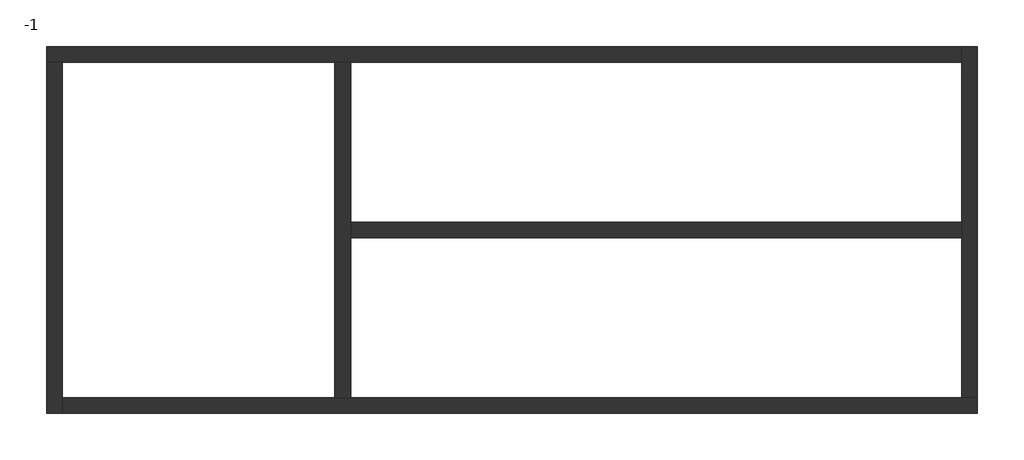
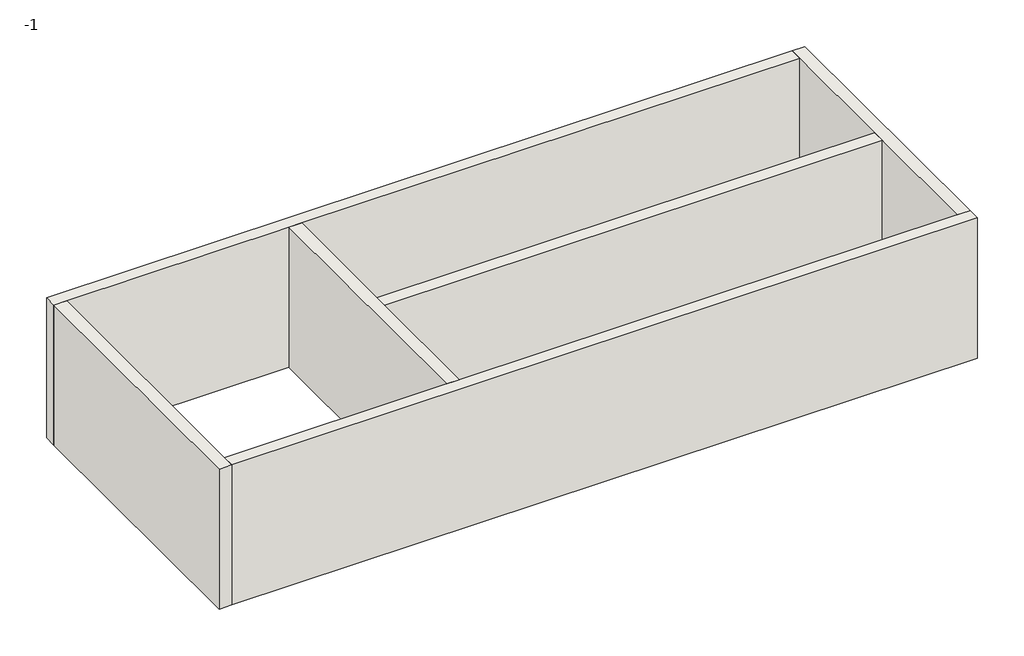
# One storey: 6 walls.
"""IFC4 building model written with IfcOpenShell, lengths in millimetres."""

import ifcopenshell
import ifcopenshell.guid

model = None  # the IFC model being written
_history = None  # IfcOwnerHistory: only IFC2X3 demands one
_inside = {}  # id of a spatial element -> (the spatial element, [elements in it])
_under = {}  # id of a project, library or spatial element -> (it, [spatial elements below it])
_declared = {}  # id of a project -> (the project, [libraries it declares])
_typed = {}  # id of a type object -> (the type object, [elements of that type])
_made_of = {}  # id of a material, layer set ... -> (it, [elements and type objects made of it])


def new_model(schema):
    """Start an empty IFC model of exactly this schema.

    Asked for "IFC4X3", IfcOpenShell would pick the latest addendum, in which some entities
    have other attributes; the version numbers below select the first issue.
    IFC2X3 requires an IfcOwnerHistory on every rooted entity: one is made here for all.
    """
    global model, _history
    if schema == "IFC4X3":
        model = ifcopenshell.file(schema_version=(4, 3, 0, 0))
    else:
        model = ifcopenshell.file(schema=schema)
    _inside.clear()
    _under.clear()
    _declared.clear()
    _typed.clear()
    _made_of.clear()
    _history = None
    if model.schema == "IFC2X3":
        org = make("IfcOrganization", Name="unknown")
        user = make(
            "IfcPersonAndOrganization",
            ThePerson=make("IfcPerson", FamilyName="unknown"),
            TheOrganization=org,
        )
        app = make(
            "IfcApplication",
            ApplicationDeveloper=org,
            Version="unknown",
            ApplicationFullName="unknown",
            ApplicationIdentifier="unknown",
        )
        _history = make(
            "IfcOwnerHistory",
            OwningUser=user,
            OwningApplication=app,
            ChangeAction="ADDED",
            CreationDate=0,
        )
    return model


def make(cls, **values):
    """One entity of the class cls with the attributes given. An attribute that is None is left unset."""
    return model.create_entity(
        cls, **{name: value for name, value in values.items() if value is not None}
    )


def rooted(cls, **values):
    """An entity with a GlobalId (a new one), such as an element, a storey or a relation."""
    return make(cls, GlobalId=ifcopenshell.guid.new(), OwnerHistory=_history, **values)


def si_unit(unit_type, name, prefix=None):
    """IfcSIUnit, for example si_unit("LENGTHUNIT", "METRE", prefix="MILLI")."""
    return make("IfcSIUnit", UnitType=unit_type, Prefix=prefix, Name=name)


def assignment(units):
    """IfcUnitAssignment: the units of a project."""
    return None if units is None else make("IfcUnitAssignment", Units=units)


def point(xyz):
    """IfcCartesianPoint."""
    return None if xyz is None else make("IfcCartesianPoint", Coordinates=xyz)


def direction(xyz):
    """IfcDirection."""
    return None if xyz is None else make("IfcDirection", DirectionRatios=xyz)


def frame(location, z_axis=None, x_axis=None):
    """IfcAxis2Placement3D, a coordinate frame: its origin and axes. An axis left out is left unset."""
    return make(
        "IfcAxis2Placement3D",
        Location=point(location),
        Axis=direction(z_axis),
        RefDirection=direction(x_axis),
    )


def origin():
    """The frame at (0, 0, 0) with its axes left unset."""
    return frame((0.0, 0.0, 0.0))


def place(relative_to, where):
    """IfcLocalPlacement: puts the frame where relative to a parent placement (None: the world)."""
    return make(
        "IfcLocalPlacement", PlacementRelTo=relative_to, RelativePlacement=where
    )


def context(
    kind, dimensions, precision=None, world=None, true_north=None, identifier=None
):
    """IfcGeometricRepresentationContext, for example the 3D "Model" context."""
    return make(
        "IfcGeometricRepresentationContext",
        ContextIdentifier=identifier,
        ContextType=kind,
        CoordinateSpaceDimension=dimensions,
        Precision=precision,
        WorldCoordinateSystem=world,
        TrueNorth=true_north,
    )


def project(units=None, contexts=None):
    """IfcProject with its units and contexts."""
    return rooted(
        "IfcProject",
        Name="project",
        RepresentationContexts=contexts,
        UnitsInContext=assignment(units),
    )


def spatial(cls, under=None, at=None, **own):
    """A site, building, storey or space (cls), placed at a placement, below another one or the project."""
    s = rooted(cls, ObjectPlacement=at, **own)
    if under is not None:
        _under.setdefault(under.id(), (under, []))[1].append(s)
    return s


def polyline(points):
    """IfcPolyline through the points."""
    return make("IfcPolyline", Points=[point(p) for p in points])


def outline(outer, holes=None, kind="AREA"):
    """IfcArbitraryClosedProfileDef: a profile drawn as a closed curve; with holes, ...WithVoids."""
    if holes is None:
        return make("IfcArbitraryClosedProfileDef", ProfileType=kind, OuterCurve=outer)
    return make(
        "IfcArbitraryProfileDefWithVoids",
        ProfileType=kind,
        OuterCurve=outer,
        InnerCurves=holes,
    )


def extrude(swept, where, along, depth):
    """IfcExtrudedAreaSolid: the profile swept, set in the frame where, extruded along a direction by depth."""
    return make(
        "IfcExtrudedAreaSolid",
        SweptArea=swept,
        Position=where,
        ExtrudedDirection=direction(along),
        Depth=depth,
    )


def faces_of(points, faces, orient=None, outer=None):
    """IfcFace entities. A face is a list of loops; a loop is a list of indices into points, from 0.

    orient and outer hold one flag for each loop. By default every Orientation is true, the
    first loop of a face is its IfcFaceOuterBound and the others are IfcFaceBound.
    """
    made = []
    for i, loops in enumerate(faces):
        bounds = []
        for j, loop in enumerate(loops):
            is_outer = j == 0 if outer is None else outer[i][j]
            bounds.append(
                make(
                    "IfcFaceOuterBound" if is_outer else "IfcFaceBound",
                    Bound=make("IfcPolyLoop", Polygon=[points[k] for k in loop]),
                    Orientation=True if orient is None else orient[i][j],
                )
            )
        made.append(make("IfcFace", Bounds=bounds))
    return made


def faceted_brep(points, faces, orient=None, outer=None, voids=None):
    """IfcFacetedBrep: a solid bounded by flat faces; with voids (closed shells), ...WithVoids."""
    shared = [point(p) for p in points]
    hull = make("IfcClosedShell", CfsFaces=faces_of(shared, faces, orient, outer))
    if voids is None:
        return make("IfcFacetedBrep", Outer=hull)
    return make(
        "IfcFacetedBrepWithVoids",
        Outer=hull,
        Voids=[
            make(cls, CfsFaces=faces_of(shared, fs, o, b)) for cls, fs, o, b in voids
        ],
    )


def shape(context_of_items, identifier, shape_type, items):
    """IfcShapeRepresentation: the items that make up one representation, for example the "Body"."""
    return make(
        "IfcShapeRepresentation",
        ContextOfItems=context_of_items,
        RepresentationIdentifier=identifier,
        RepresentationType=shape_type,
        Items=items,
    )


def made_of(thing, what):
    """Note that an element or type object is made of a material, layer set ...; save() writes the relation."""
    if what is not None:
        _made_of.setdefault(what.id(), (what, []))[1].append(thing)
    return thing


def element(
    cls,
    number,
    at=None,
    inside=None,
    cuts=None,
    type_object=None,
    material=None,
    context=None,
    identifier="Body",
    shape_type=None,
    held_by="IfcProductDefinitionShape",
    body=None,
    shapes=None,
    **own,
):
    """One element of the class cls, such as IfcWall. Its Tag is "e" and its number.

    at: its placement. inside: the storey or other place that contains it. cuts: it is an
    opening in that element (IfcRelVoidsElement). A single representation is given by context,
    identifier, shape_type and body (its items); several are given by shapes. held_by: the class
    of the entity that holds the representations. save() writes the other relations.
    """
    e = rooted(cls, Tag="e%d" % number, ObjectPlacement=at, **own)
    if body is not None:
        shapes = [shape(context, identifier, shape_type, body)]
    if shapes is not None:
        e.Representation = make(held_by, Representations=shapes)
    if inside is not None:
        _inside.setdefault(inside.id(), (inside, []))[1].append(e)
    if cuts is not None:
        rooted(
            "IfcRelVoidsElement", RelatingBuildingElement=cuts, RelatedOpeningElement=e
        )
    if type_object is not None:
        _typed.setdefault(type_object.id(), (type_object, []))[1].append(e)
    return made_of(e, material)


def aggregate(whole, parts):
    """IfcRelAggregates: a whole, such as a stair, and the parts it consists of."""
    return rooted("IfcRelAggregates", RelatingObject=whole, RelatedObjects=parts)


def save(model, path):
    """Write the relations noted so far, then the file.

    IfcRelAggregates (storeys below a building ...), IfcRelContainedInSpatialStructure (elements
    in a storey), IfcRelDefinesByType, IfcRelAssociatesMaterial and IfcRelDeclares: one each for
    every whole, place, type object, material and project.
    """
    for whole, parts in _under.values():
        aggregate(whole, parts)
    for where, things in _inside.values():
        rooted(
            "IfcRelContainedInSpatialStructure",
            RelatedElements=things,
            RelatingStructure=where,
        )
    for kind, things in _typed.values():
        rooted("IfcRelDefinesByType", RelatedObjects=things, RelatingType=kind)
    for what, things in _made_of.values():
        rooted("IfcRelAssociatesMaterial", RelatedObjects=things, RelatingMaterial=what)
    for by, libraries in _declared.values():
        rooted("IfcRelDeclares", RelatingContext=by, RelatedDefinitions=libraries)
    model.write(path)


model = new_model("IFC4")

# Units and contexts
model_context = context("Model", 3, world=origin())
ifc_project = project(units=[si_unit("LENGTHUNIT", "METRE", prefix="MILLI")], contexts=[model_context])

# Site, building, storey
site = spatial("IfcSite", under=ifc_project)
building = spatial("IfcBuilding", under=site)
storey = spatial("IfcBuildingStorey", under=building, Name="-1", Elevation=-2900.0)

# Walls
placement = place(None, origin())
element("IfcWall", 1, at=placement, inside=storey, context=model_context, shape_type="Brep", body=[
    faceted_brep([(5456.9743567, 17556.1656697, -2900.0), (5706.9743567, 17556.1656697, -2900.0), (10056.9743567, 17556.1656697, -2900.0), (10306.9743567, 17556.1656697, -2900.0), (20056.9743567, 17556.1656697, -2900.0), (20056.9743567, 17556.1656697, 0.0), (10306.9743567, 17556.1656697, 0.0), (10056.9743567, 17556.1656697, 0.0), (5706.9743567, 17556.1656697, 0.0), (5456.9743567, 17556.1656697, 0.0), (5456.9743567, 17806.1656697, -2900.0), (5456.9743567, 17806.1656697, 0.0), (20056.9743567, 17806.1656697, 0.0), (20056.9743567, 17806.1656697, -2900.0)], [[[0, 1, 2, 3, 4, 5, 6, 7, 8, 9]], [[10, 11, 12, 13]], [[4, 3, 2, 1, 0, 10, 13]], [[9, 8, 7, 6, 5, 12, 11]], [[0, 9, 11, 10]], [[5, 4, 13, 12]]]),
])
element("IfcWall", 2, at=placement, inside=storey, context=model_context, shape_type="Brep", body=[
    faceted_brep([(5706.9743567, 11956.1656697, -2900.0), (5706.9743567, 12206.1656697, -2900.0), (5706.9743567, 17556.1656697, -2900.0), (5706.9743567, 17556.1656697, 0.0), (5706.9743567, 12206.1656697, 0.0), (5706.9743567, 11956.1656697, 0.0), (5456.9743567, 11956.1656697, -2900.0), (5456.9743567, 11956.1656697, 0.0), (5456.9743567, 17556.1656697, 0.0), (5456.9743567, 17556.1656697, -2900.0)], [[[0, 1, 2, 3, 4, 5]], [[6, 7, 8, 9]], [[2, 1, 0, 6, 9]], [[5, 4, 3, 8, 7]], [[0, 5, 7, 6]], [[3, 2, 9, 8]]]),
])
element("IfcWall", 3, at=placement, inside=storey, context=model_context, shape_type="Brep", body=[
    faceted_brep([(20306.9743567, 12206.1656697, -2900.0), (20056.9743567, 12206.1656697, -2900.0), (10306.9743567, 12206.1656697, -2900.0), (10056.9743567, 12206.1656697, -2900.0), (5706.9743567, 12206.1656697, -2900.0), (5706.9743567, 12206.1656697, 0.0), (10056.9743567, 12206.1656697, 0.0), (10306.9743567, 12206.1656697, 0.0), (20056.9743567, 12206.1656697, 0.0), (20306.9743567, 12206.1656697, 0.0), (20306.9743567, 11956.1656697, -2900.0), (20306.9743567, 11956.1656697, 0.0), (5706.9743567, 11956.1656697, 0.0), (5706.9743567, 11956.1656697, -2900.0)], [[[0, 1, 2, 3, 4, 5, 6, 7, 8, 9]], [[10, 11, 12, 13]], [[4, 3, 2, 1, 0, 10, 13]], [[9, 8, 7, 6, 5, 12, 11]], [[0, 9, 11, 10]], [[5, 4, 13, 12]]]),
])
element("IfcWall", 4, at=placement, inside=storey, context=model_context, shape_type="Brep", body=[
    faceted_brep([(20056.9743567, 17806.1656697, -2900.0), (20056.9743567, 17556.1656697, -2900.0), (20056.9743567, 15006.1656697, -2900.0), (20056.9743567, 14756.1656697, -2900.0), (20056.9743567, 12206.1656697, -2900.0), (20056.9743567, 12206.1656697, 0.0), (20056.9743567, 14756.1656697, 0.0), (20056.9743567, 15006.1656697, 0.0), (20056.9743567, 17556.1656697, 0.0), (20056.9743567, 17806.1656697, 0.0), (20306.9743567, 17806.1656697, -2900.0), (20306.9743567, 17806.1656697, 0.0), (20306.9743567, 12206.1656697, 0.0), (20306.9743567, 12206.1656697, -2900.0)], [[[0, 1, 2, 3, 4, 5, 6, 7, 8, 9]], [[10, 11, 12, 13]], [[4, 3, 2, 1, 0, 10, 13]], [[9, 8, 7, 6, 5, 12, 11]], [[0, 9, 11, 10]], [[5, 4, 13, 12]]]),
])
element("IfcWall", 5, at=placement, inside=storey, context=model_context, shape_type="Brep", body=[
    faceted_brep([(10056.9743567, 17556.1656697, -2900.0), (10056.9743567, 12206.1656697, -2900.0), (10056.9743567, 12206.1656697, 0.0), (10056.9743567, 17556.1656697, 0.0), (10306.9743567, 17556.1656697, -2900.0), (10306.9743567, 17556.1656697, 0.0), (10306.9743567, 15006.1656697, 0.0), (10306.9743567, 14756.1656697, 0.0), (10306.9743567, 12206.1656697, 0.0), (10306.9743567, 12206.1656697, -2900.0), (10306.9743567, 14756.1656697, -2900.0), (10306.9743567, 15006.1656697, -2900.0)], [[[0, 1, 2, 3]], [[4, 5, 6, 7, 8, 9, 10, 11]], [[1, 0, 4, 11, 10, 9]], [[3, 2, 8, 7, 6, 5]], [[0, 3, 5, 4]], [[2, 1, 9, 8]]]),
])
element("IfcWall", 6, at=placement, inside=storey, context=model_context, shape_type="SweptSolid", body=[
    extrude(outline(polyline([(20056.9743567, 14756.1656697), (10306.9743567, 14756.1656697), (10306.9743567, 15006.1656697), (20056.9743567, 15006.1656697), (20056.9743567, 14756.1656697)])), frame((0.0, 0.0, -2900.0), z_axis=(0.0, 0.0, 1.0), x_axis=(1.0, 0.0, 0.0)), (0.0, 0.0, 1.0), 2900.0),
])

save(model, "model.ifc")
